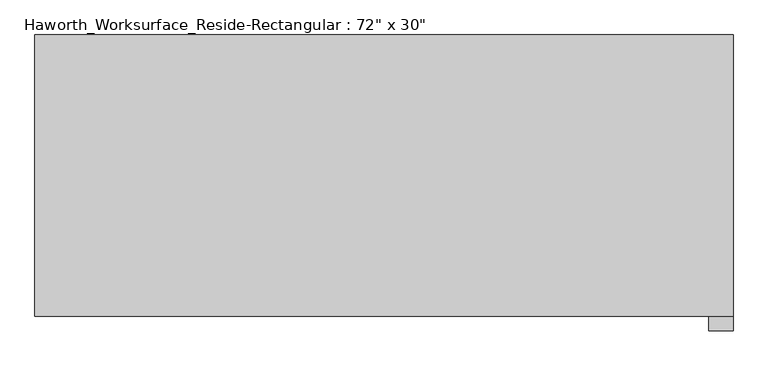
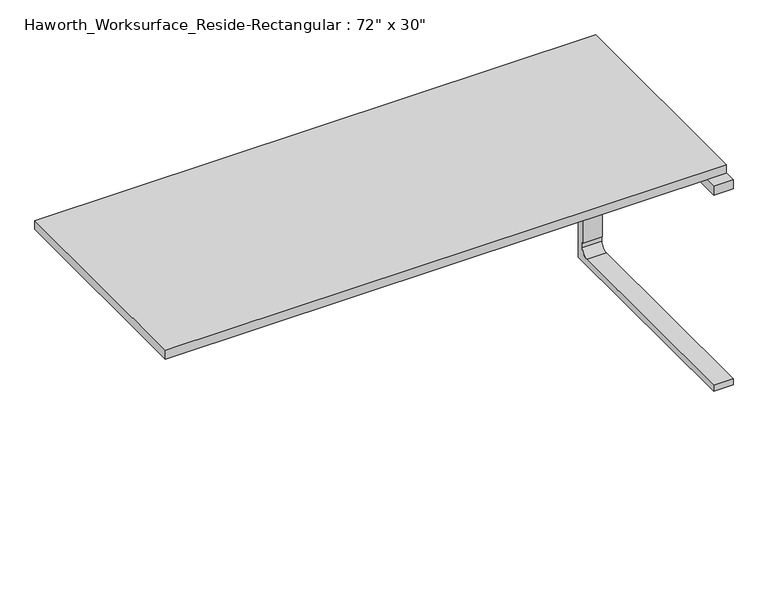
"""IFC4 building model written with IfcOpenShell, lengths in millimetres: furniture geometry."""

from ifc_helpers import new_model, si_unit, point, frame, frame_2d, origin, place, context, project, spatial, polyline, circle_curve, trimmed, segment, composite_curve, outline, extrude, source, transform, mapped, element, save


def furniture_7a3d8f17(model_context):
    return source(origin(), model_context, "Body", "SweptSolid", [
        extrude(outline(composite_curve([segment(polyline([(333.375, 61.9125), (333.375, 650.875)]), True, "CONTINUOUS"), segment(trimmed(circle_curve(frame_2d((307.975, 650.875)), 25.4), [point((333.375, 650.875))], [point((307.975, 676.275))], True, "CARTESIAN"), True, "CONTINUOUS"), segment(polyline([(307.975, 676.275), (-406.4, 676.275), (-406.4, 706.4375), (358.775, 706.4375), (358.775, 61.9125), (357.1875, 61.9125), (357.1875, 0.0), (-406.4, 0.0), (-406.4, 20.6375), (309.5625, 20.6375)]), True, "CONTINUOUS"), segment(trimmed(circle_curve(frame_2d((309.5625, 46.0375)), 25.4), [point((309.5625, 20.6375))], [point((334.9625, 46.0375))], True, "CARTESIAN"), True, "CONTINUOUS"), segment(polyline([(334.9625, 46.0375), (334.9625, 61.9125), (333.375, 61.9125)]), True, "CONTINUOUS")], self_intersect=False)), frame((850.9, 0.0, 0.0), z_axis=(1.0, 0.0, 0.0), x_axis=(0.0, 1.0, 0.0)), (0.0, 0.0, 1.0), 63.5),
        extrude(outline(polyline([(914.4, -368.3), (-914.4, -368.3), (-914.4, 368.3), (914.4, 368.3), (914.4, -368.3)])), frame((0.0, 0.0, 706.4375), z_axis=(0.0, 0.0, 1.0), x_axis=(1.0, 0.0, 0.0)), (0.0, 0.0, 1.0), 30.1625),
    ])


if __name__ == "__main__":
    model = new_model("IFC4")
    model_context = context("Model", 3, world=origin())
    ifc_project = project(units=[si_unit("LENGTHUNIT", "METRE", prefix="MILLI")], contexts=[model_context])
    site = spatial("IfcSite", under=ifc_project)
    building = spatial("IfcBuilding", under=site)
    placement = place(None, origin())
    furniture_shape = furniture_7a3d8f17(model_context)
    element("IfcFurniture", 1, ObjectType="Haworth_Worksurface_Reside-Rectangular : 72\" x 30\"", at=placement, inside=building, context=model_context, shape_type="MappedRepresentation", body=[
        mapped(furniture_shape, transform((0.0, 0.0, 0.0), x_axis=(1.0, 0.0, 0.0), y_axis=(0.0, 1.0, 0.0), z_axis=(0.0, 0.0, 1.0))),
    ])
    save(model, "model.ifc")
